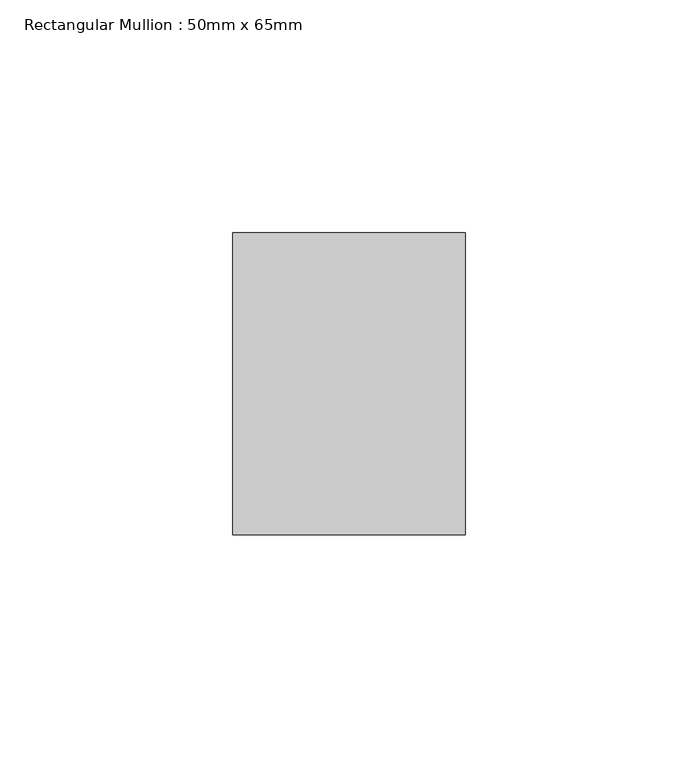
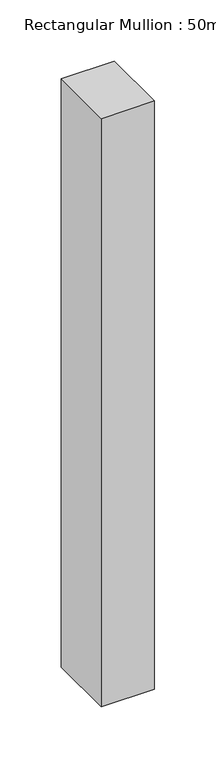
"""IFC4 building model written with IfcOpenShell, lengths in millimetres: member geometry, Rectangular Mullion : 50mm x 65mm."""

from ifc_helpers import new_model, si_unit, frame, origin, place, context, project, spatial, polyline, outline, extrude, source, transform, mapped, element, save


def rectangular_mullion_50mm_x_65mm_cc10d20a(model_context):
    return source(origin(), model_context, "Body", "SweptSolid", [
        extrude(outline(polyline([(25.0, 32.5), (25.0, -32.5), (-25.0, -32.5), (-25.0, 32.5), (25.0, 32.5)])), frame((0.0, 0.0, -585.2032771), z_axis=(0.0, 0.0, 1.0), x_axis=(1.0, 0.0, 0.0)), (0.0, 0.0, 1.0), 585.2032771),
    ])


if __name__ == "__main__":
    model = new_model("IFC4")
    model_context = context("Model", 3, world=origin())
    ifc_project = project(units=[si_unit("LENGTHUNIT", "METRE", prefix="MILLI")], contexts=[model_context])
    site = spatial("IfcSite", under=ifc_project)
    building = spatial("IfcBuilding", under=site)
    placement = place(None, origin())
    rectangular_mullion_50mm_x_65mm_shape = rectangular_mullion_50mm_x_65mm_cc10d20a(model_context)
    element("IfcMember", 1, ObjectType="Rectangular Mullion : 50mm x 65mm", at=placement, inside=building, context=model_context, shape_type="MappedRepresentation", body=[
        mapped(rectangular_mullion_50mm_x_65mm_shape, transform((0.0, 0.0, 0.0), x_axis=(1.0, 0.0, 0.0), y_axis=(0.0, 1.0, 0.0), z_axis=(0.0, 0.0, 1.0))),
    ])
    save(model, "model.ifc")
